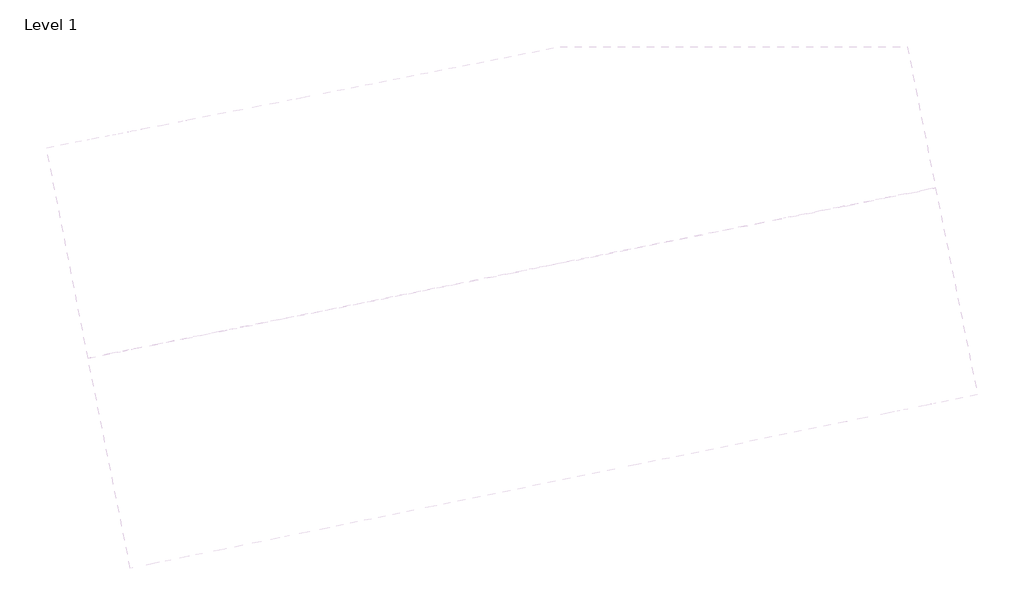
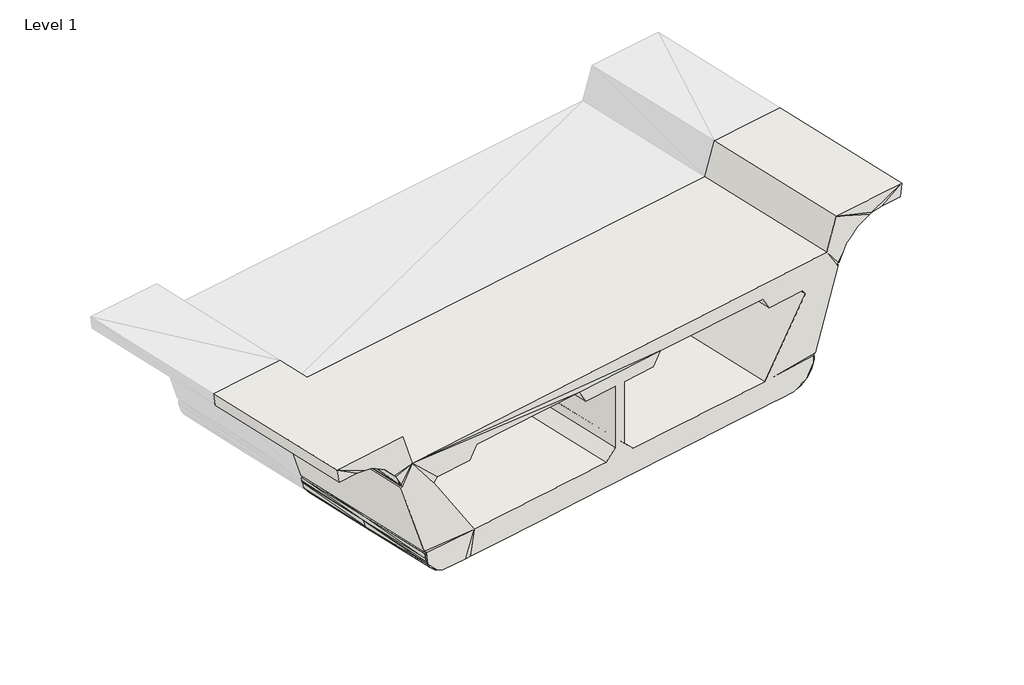
# One storey, part 1 of 2: 2 walls.
"""IFC4 building model written with IfcOpenShell, lengths in millimetres."""

import ifcopenshell
import ifcopenshell.guid

model = None  # the IFC model being written
_history = None  # IfcOwnerHistory: only IFC2X3 demands one
_inside = {}  # id of a spatial element -> (the spatial element, [elements in it])
_under = {}  # id of a project, library or spatial element -> (it, [spatial elements below it])
_declared = {}  # id of a project -> (the project, [libraries it declares])
_typed = {}  # id of a type object -> (the type object, [elements of that type])
_made_of = {}  # id of a material, layer set ... -> (it, [elements and type objects made of it])


def new_model(schema):
    """Start an empty IFC model of exactly this schema.

    Asked for "IFC4X3", IfcOpenShell would pick the latest addendum, in which some entities
    have other attributes; the version numbers below select the first issue.
    IFC2X3 requires an IfcOwnerHistory on every rooted entity: one is made here for all.
    """
    global model, _history
    if schema == "IFC4X3":
        model = ifcopenshell.file(schema_version=(4, 3, 0, 0))
    else:
        model = ifcopenshell.file(schema=schema)
    _inside.clear()
    _under.clear()
    _declared.clear()
    _typed.clear()
    _made_of.clear()
    _history = None
    if model.schema == "IFC2X3":
        org = make("IfcOrganization", Name="unknown")
        user = make(
            "IfcPersonAndOrganization",
            ThePerson=make("IfcPerson", FamilyName="unknown"),
            TheOrganization=org,
        )
        app = make(
            "IfcApplication",
            ApplicationDeveloper=org,
            Version="unknown",
            ApplicationFullName="unknown",
            ApplicationIdentifier="unknown",
        )
        _history = make(
            "IfcOwnerHistory",
            OwningUser=user,
            OwningApplication=app,
            ChangeAction="ADDED",
            CreationDate=0,
        )
    return model


def make(cls, **values):
    """One entity of the class cls with the attributes given. An attribute that is None is left unset."""
    return model.create_entity(
        cls, **{name: value for name, value in values.items() if value is not None}
    )


def rooted(cls, **values):
    """An entity with a GlobalId (a new one), such as an element, a storey or a relation."""
    return make(cls, GlobalId=ifcopenshell.guid.new(), OwnerHistory=_history, **values)


def si_unit(unit_type, name, prefix=None):
    """IfcSIUnit, for example si_unit("LENGTHUNIT", "METRE", prefix="MILLI")."""
    return make("IfcSIUnit", UnitType=unit_type, Prefix=prefix, Name=name)


def assignment(units):
    """IfcUnitAssignment: the units of a project."""
    return None if units is None else make("IfcUnitAssignment", Units=units)


def point(xyz):
    """IfcCartesianPoint."""
    return None if xyz is None else make("IfcCartesianPoint", Coordinates=xyz)


def direction(xyz):
    """IfcDirection."""
    return None if xyz is None else make("IfcDirection", DirectionRatios=xyz)


def frame(location, z_axis=None, x_axis=None):
    """IfcAxis2Placement3D, a coordinate frame: its origin and axes. An axis left out is left unset."""
    return make(
        "IfcAxis2Placement3D",
        Location=point(location),
        Axis=direction(z_axis),
        RefDirection=direction(x_axis),
    )


def origin():
    """The frame at (0, 0, 0) with its axes left unset."""
    return frame((0.0, 0.0, 0.0))


def place(relative_to, where):
    """IfcLocalPlacement: puts the frame where relative to a parent placement (None: the world)."""
    return make(
        "IfcLocalPlacement", PlacementRelTo=relative_to, RelativePlacement=where
    )


def context(
    kind, dimensions, precision=None, world=None, true_north=None, identifier=None
):
    """IfcGeometricRepresentationContext, for example the 3D "Model" context."""
    return make(
        "IfcGeometricRepresentationContext",
        ContextIdentifier=identifier,
        ContextType=kind,
        CoordinateSpaceDimension=dimensions,
        Precision=precision,
        WorldCoordinateSystem=world,
        TrueNorth=true_north,
    )


def project(units=None, contexts=None):
    """IfcProject with its units and contexts."""
    return rooted(
        "IfcProject",
        Name="project",
        RepresentationContexts=contexts,
        UnitsInContext=assignment(units),
    )


def spatial(cls, under=None, at=None, **own):
    """A site, building, storey or space (cls), placed at a placement, below another one or the project."""
    s = rooted(cls, ObjectPlacement=at, **own)
    if under is not None:
        _under.setdefault(under.id(), (under, []))[1].append(s)
    return s


def point_list(points):
    """IfcCartesianPointList2D or 3D."""
    cls = (
        "IfcCartesianPointList2D" if len(points[0]) == 2 else "IfcCartesianPointList3D"
    )
    return make(cls, CoordList=points)


def triangles(points, corners, closed=None, point_numbers=None):
    """IfcTriangulatedFaceSet: each triangle names its three corners, points numbered from 1."""
    return make(
        "IfcTriangulatedFaceSet",
        Coordinates=point_list(points),
        Closed=closed,
        CoordIndex=corners,
        PnIndex=point_numbers,
    )


def shape(context_of_items, identifier, shape_type, items):
    """IfcShapeRepresentation: the items that make up one representation, for example the "Body"."""
    return make(
        "IfcShapeRepresentation",
        ContextOfItems=context_of_items,
        RepresentationIdentifier=identifier,
        RepresentationType=shape_type,
        Items=items,
    )


def made_of(thing, what):
    """Note that an element or type object is made of a material, layer set ...; save() writes the relation."""
    if what is not None:
        _made_of.setdefault(what.id(), (what, []))[1].append(thing)
    return thing


def element(
    cls,
    number,
    at=None,
    inside=None,
    cuts=None,
    type_object=None,
    material=None,
    context=None,
    identifier="Body",
    shape_type=None,
    held_by="IfcProductDefinitionShape",
    body=None,
    shapes=None,
    **own,
):
    """One element of the class cls, such as IfcWall. Its Tag is "e" and its number.

    at: its placement. inside: the storey or other place that contains it. cuts: it is an
    opening in that element (IfcRelVoidsElement). A single representation is given by context,
    identifier, shape_type and body (its items); several are given by shapes. held_by: the class
    of the entity that holds the representations. save() writes the other relations.
    """
    e = rooted(cls, Tag="e%d" % number, ObjectPlacement=at, **own)
    if body is not None:
        shapes = [shape(context, identifier, shape_type, body)]
    if shapes is not None:
        e.Representation = make(held_by, Representations=shapes)
    if inside is not None:
        _inside.setdefault(inside.id(), (inside, []))[1].append(e)
    if cuts is not None:
        rooted(
            "IfcRelVoidsElement", RelatingBuildingElement=cuts, RelatedOpeningElement=e
        )
    if type_object is not None:
        _typed.setdefault(type_object.id(), (type_object, []))[1].append(e)
    return made_of(e, material)


def aggregate(whole, parts):
    """IfcRelAggregates: a whole, such as a stair, and the parts it consists of."""
    return rooted("IfcRelAggregates", RelatingObject=whole, RelatedObjects=parts)


def save(model, path):
    """Write the relations noted so far, then the file.

    IfcRelAggregates (storeys below a building ...), IfcRelContainedInSpatialStructure (elements
    in a storey), IfcRelDefinesByType, IfcRelAssociatesMaterial and IfcRelDeclares: one each for
    every whole, place, type object, material and project.
    """
    for whole, parts in _under.values():
        aggregate(whole, parts)
    for where, things in _inside.values():
        rooted(
            "IfcRelContainedInSpatialStructure",
            RelatedElements=things,
            RelatingStructure=where,
        )
    for kind, things in _typed.values():
        rooted("IfcRelDefinesByType", RelatedObjects=things, RelatingType=kind)
    for what, things in _made_of.values():
        rooted("IfcRelAssociatesMaterial", RelatedObjects=things, RelatingMaterial=what)
    for by, libraries in _declared.values():
        rooted("IfcRelDeclares", RelatingContext=by, RelatedDefinitions=libraries)
    model.write(path)


model = new_model("IFC4")

# Units and contexts
model_context = context("Model", 3, world=origin())
ifc_project = project(units=[si_unit("LENGTHUNIT", "METRE", prefix="MILLI")], contexts=[model_context])

# Site, building, storey
site = spatial("IfcSite", under=ifc_project)
building = spatial("IfcBuilding", under=site)
storey = spatial("IfcBuildingStorey", under=building, Name="Level 1", Elevation=0.0)

# Walls
placement = place(None, origin())
element("IfcWall", 1, at=placement, inside=storey, context=model_context, shape_type="Tessellation", body=[
    triangles([(-3183.9475159, -15734.0861206, 30056.386322), (-2390.9912659, -12481.2986206, 29981.3839233), (6616.0868591, -10671.5486206, 29371.3862732), (8802.0743591, -13279.0173706, 30056.3886475), (8390.1181091, -13364.7423706, 29806.3876282), (6944.6993591, -10604.8736206, 29206.3521606), (6973.2743591, -10600.1111206, 29266.043866), (7569.7774841, -12005.0486206, 29613.7924072), (7398.3274841, -12040.7673706, 29471.3383118), (7820.9993591, -11955.0423706, 29729.6062683), (8093.6524841, -11897.8923706, 29768.8875916), (7236.4024841, -12071.7236206, 29246.2404236), (7705.5087341, -13505.2361206, 29499.5365906), (7623.3556091, -13521.9048706, 29422.7668579), (7547.1556091, -13536.1923706, 29277.1292358), (7469.7649841, -13552.8611206, 29129.4545288), (8122.2274841, -13419.5111206, 29761.0462097), (7526.9149841, -10488.1923706, 29684.567157), (6875.6431091, -10619.1611206, 29054.4498047), (7468.5743591, -13552.8611206, 29122.6456421), (7172.1087341, -12086.0111206, 29091.9521667), (6873.2618591, -10619.1611206, 29047.640918), (7444.7618591, -13557.6236206, 29130.5498108), (7429.2837341, -13560.0048706, 29083.1154968), (6849.4493591, -10623.9236206, 29055.5474121), (7453.0962341, -13555.2423706, 29075.2113281), (6833.9712341, -10626.3048706, 29008.1130981), (6364.8649841, -10721.5548706, 27494.0752808), (6960.1774841, -13657.6361206, 27569.0800049), (6937.5556091, -13662.3986206, 27576.9841736), (6342.2431091, -10726.3173706, 27501.9817749), (6647.0431091, -12193.1673706, 27484.1410034), (6326.7649841, -10728.6986206, 27454.5474609), (-1920.6943909, -12386.0486206, 27377.9939941), (-1783.7725159, -12359.8548706, 27091.2673096), (-1250.3725159, -13795.7486206, 26991.7687317), (-1483.7350159, -12297.9423706, 26943.7065491), (-115.7068909, -13564.7673706, 26978.8857971), (3085.8837341, -11381.1611206, 26941.3834351), (5743.3587341, -12376.5236206, 26978.8857971), (5967.1962341, -10802.5173706, 26953.2803833), (6073.1618591, -10781.0861206, 26997.4846619), (6485.1181091, -12224.1236206, 27107.880249), (6242.2306091, -10745.3673706, 27127.2023254), (6323.1931091, -10731.0798706, 27277.525708), (6944.6993591, -13660.0173706, 27521.6456909), (6941.1274841, -13660.0173706, 27451.9266907), (6574.4149841, -12207.4548706, 27216.2736328), (6372.0087341, -12247.9361206, 27029.4827087), (6661.3306091, -13717.1673706, 27062.0923462), (6239.8493591, -12274.1298706, 26986.0272217), (5823.1306091, -13888.6173706, 27016.3881592), (1654.7524841, -13205.1986206, 26978.8857971), (851.0806091, -13369.5048706, 26978.8857971), (1149.9274841, -14848.2611206, 27016.3858337), (184.3306091, -15045.9048706, 27016.3858337), (-460.9881409, -15176.8736206, 27016.3858337), (-1076.5412659, -15303.0798706, 27082.8747986), (-1219.4162659, -15331.6548706, 27202.2047241), (-1617.0850159, -13869.5673706, 27373.9314514), (-1309.9037659, -15350.7048706, 27412.4988647), (-1327.7631409, -15355.4673706, 27521.6433655), (-1377.7693909, -13819.5611206, 27042.2982056), (-945.5725159, -15276.8861206, 27028.282782), (-360.9756409, -15157.8236206, 27016.3858337), (-362.1662659, -15157.8236206, 27016.3858337), (-662.2037659, -13674.3048706, 26978.8857971), (1933.3587341, -14686.3361206, 27016.3858337), (5855.2774841, -12352.7111206, 26978.8857971), (6194.6056091, -13814.7986206, 27016.3881592), (6797.0618591, -13690.9736206, 27156.6633179), (6783.9649841, -13693.3548706, 27147.4522522), (6920.8868591, -13664.7798706, 27382.3076843), (6349.3868591, -10723.9361206, 27446.6409668), (6627.9931091, -12195.5486206, 27342.7845154), (6185.0806091, -10757.2736206, 27075.6496582), (1358.2868591, -11728.8236206, 26941.3834351), (-249.0568909, -12050.2923706, 26941.3834351), (-958.6693909, -12193.1673706, 26941.3834351), (-1487.3068909, -13843.3736206, 27127.7511292), (-1874.2600159, -12376.5236206, 27217.7223816), (-1569.4600159, -13860.0423706, 27241.0558411), (-1925.4568909, -12386.0486206, 27446.6409668), (-1626.6100159, -13871.9486206, 27484.1410034), (-1303.9506409, -15350.7048706, 27529.5498596), (-1319.4287659, -15353.0861206, 27576.9818481), (-1940.9350159, -12390.8111206, 27494.0729553), (-1917.1225159, -12386.0486206, 27501.9794495), (-1343.2412659, -15357.8486206, 27569.0776794), (-1834.9693909, -15457.8611206, 29075.1624939), (-2408.8506409, -12483.6798706, 29008.1130981), (-2448.1412659, -12493.2048706, 29047.640918), (-2424.3287659, -12488.4423706, 29055.5450867), (-1850.4475159, -15462.6236206, 29122.6433167), (-2151.6756409, -13976.7236206, 29091.9498413), (-1852.8287659, -15462.6236206, 29129.4522034), (-3370.8756409, -12676.5611206, 29731.3829041), (-3207.7600159, -12645.6048706, 29711.5399292), (-2908.9131409, -14131.5048706, 29754.6070679), (-3143.4662659, -12631.3173706, 29703.7404053), (-2951.7756409, -12593.2173706, 29619.6850708), (-2648.1662659, -14079.1173706, 29669.0541504), (-2462.4287659, -14041.0173706, 29547.5964478), (-2274.3100159, -14002.9173706, 29341.4532166), (-2451.7131409, -15584.0673706, 29750.5421997), (-3072.0287659, -14164.8423706, 29768.8852661), (-2165.9631409, -15526.9173706, 29589.3148315), (-1950.4600159, -15481.6736206, 29341.0439392), (-2767.2287659, -12557.4986206, 29501.1016113), (2902.5274841, -14488.6923706, 28924.4716919), (8162.7087341, -13409.9861206, 29778.7451294), (8765.1649841, -13286.1611206, 29806.3876282), (7863.8618591, -13471.8986206, 29647.6670837), (1946.4556091, -14683.9548706, 29167.0313049), (6754.1993591, -13698.1173706, 28834.7632141), (7410.2337341, -13564.7673706, 30056.3886475), (5843.3712341, -13886.2361206, 29166.1778687), (6687.5243591, -13712.4048706, 28924.4716919), (7211.3993591, -13605.2486206, 29446.3886719), (3527.6056091, -14360.1048706, 28924.4716919), (6538.6962341, -13743.3611206, 27028.2409241), (6893.5024841, -13669.5423706, 27291.7690247), (6922.0774841, -13664.7798706, 27529.5498596), (4439.6243591, -14174.3673706, 27016.3881592), (6502.9774841, -13750.5048706, 27018.6066284), (6043.3962341, -13845.7548706, 27016.3881592), (5893.3774841, -13876.7111206, 27508.3767334), (5268.2993591, -14002.9173706, 27016.3881592), (2902.5274841, -14488.6923706, 27708.3761536), (2715.5993591, -14526.7923706, 28924.4716919), (-1593.2725159, -15410.2361206, 29446.3863464), (-226.4350159, -15129.2486206, 29166.1755432), (-1069.3975159, -15303.0798706, 28924.4716919), (-1793.2975159, -15450.7173706, 30056.386322), (-1137.2631409, -15314.9861206, 28834.7608887), (-1811.1568909, -15453.0986206, 29083.1154968), (-2354.0818909, -15565.0173706, 29695.5083496), (-2611.2568909, -15617.4048706, 29778.2707397), (-2771.9912659, -15650.7423706, 29806.3853027), (-3148.2287659, -15726.9423706, 29806.3853027), (-1826.6350159, -15457.8611206, 29130.5498108), (-1979.0350159, -15488.8173706, 29374.5697998), (-1096.7818909, -15307.8423706, 27091.385907), (-1263.4693909, -15341.1798706, 27282.1486816), (-1301.5693909, -15348.3236206, 27352.5257813), (6271.9962341, -10740.6048706, 27182.1013), (6119.5962341, -10771.5611206, 27016.3858337), (6327.9556091, -10728.6986206, 27305.9332764), (5296.8743591, -10935.8673706, 27433.3743347), (5558.8118591, -10883.4798706, 26943.2623901), (5482.6118591, -10900.1486206, 26941.3834351), (5382.5993591, -10919.1986206, 26941.3834351), (1351.1431091, -11728.8236206, 29092.0265808), (2303.6431091, -11538.3236206, 28849.4692932), (2500.0962341, -11497.8423706, 27433.3720093), (2121.4774841, -11574.0423706, 28849.4692932), (2303.6431091, -11538.3236206, 27633.3737549), (7280.4556091, -10538.1986206, 29565.6139526), (7189.9681091, -10557.2486206, 29514.3124329), (7111.3868591, -10571.5361206, 29425.2504272), (6814.9212341, -10631.0673706, 29981.3862488), (7795.9962341, -10433.4236206, 29731.3852295), (8207.9524841, -10352.4611206, 29981.3862488), (8171.0431091, -10359.6048706, 29731.3852295), (7474.5274841, -10497.7173706, 29675.539801), (6857.7837341, -10623.9236206, 29000.2089294), (6158.8868591, -10762.0361206, 28759.7608154), (5392.1243591, -10916.8173706, 28849.4692932), (5246.8681091, -10945.3923706, 29091.17547), (-871.7537659, -12176.4986206, 27433.3720093), (-803.8881409, -12162.2111206, 26941.3834351), (-413.3631409, -12083.6298706, 26941.3834351), (580.8087341, -11883.6048706, 26941.3834351), (-1175.3631409, -12236.0298706, 26941.3834351), (-1545.6475159, -12309.8486206, 26960.7427185), (-1642.0881409, -12331.2798706, 26987.5434082), (-1776.6287659, -12357.4736206, 27082.4073853), (-1909.9787659, -12383.6673706, 27337.9569031), (-1901.6443909, -12383.6673706, 27454.5451355), (-2432.6631409, -12488.4423706, 29000.1600952), (-1733.7662659, -12347.9486206, 28759.75849), (-1667.0912659, -12336.0423706, 28849.4692932), (-2190.9662659, -12440.8173706, 29371.3839478), (-822.9381409, -12164.5923706, 29091.1731445), (-2450.5225159, -12493.2048706, 29054.4498047), (-2604.1131409, -12524.1611206, 29347.7621338), (-2579.1100159, -12519.3986206, 29300.3487488), (-2843.4287659, -12571.7861206, 29572.6600342), (-3747.1131409, -12752.7611206, 29731.3829041), (-3782.8318909, -12759.9048706, 29981.3839233), (2416.7524841, -13050.4173706, 28886.9693298), (2417.9431091, -13050.4173706, 27670.8737915), (2121.4774841, -11574.0423706, 27633.3737549), (1925.0243591, -11614.5236206, 27433.3720093), (2715.5993591, -14526.7923706, 27708.3761536), (2519.1462341, -14567.2736206, 27508.3767334), (-275.2506409, -15138.7736206, 27508.374408), (-967.0037659, -12195.5486206, 28849.4692932), (-370.5006409, -15157.8236206, 28924.4716919), (2089.3306091, -14655.3798706, 28924.4716919), (1495.2087341, -11700.2486206, 28849.4692932), (2602.4899841, -13012.3173706, 28886.9693298), (2929.9118591, -11412.1173706, 28849.4692932), (3671.6712341, -14331.5298706, 29167.0313049), (3072.7868591, -11383.5423706, 29092.0289063), (5988.6274841, -13855.2798706, 28924.4716919), (6091.0212341, -10776.3236206, 28849.4692932), (3097.7899841, -14448.2111206, 27508.3767334), (2601.2993591, -13012.3173706, 27670.8737915)], [[154, 202, 209], [129, 209, 202], [202, 110, 129], [209, 157, 154], [209, 129, 208], [209, 208, 155], [155, 157, 209], [149, 155, 208], [208, 127, 149], [167, 149, 127], [127, 115, 167], [115, 118, 207], [207, 167, 115], [207, 118, 206], [206, 168, 207], [206, 117, 169], [169, 168, 206], [117, 204, 205], [205, 169, 117], [205, 204, 120], [120, 203, 205], [202, 154, 203], [202, 203, 120], [120, 110, 202], [191, 130, 200], [201, 156, 191], [200, 201, 191], [200, 114, 153], [153, 201, 200], [114, 132, 184], [184, 153, 114], [184, 132, 199], [199, 198, 184], [199, 133, 182], [182, 198, 199], [182, 133, 135], [135, 181, 182], [197, 170, 181], [181, 135, 197], [196, 194, 170], [170, 197, 196], [192, 193, 194], [196, 195, 192], [194, 196, 192], [156, 193, 192], [195, 130, 191], [191, 192, 195], [192, 191, 156], [189, 190, 97], [98, 97, 190], [2, 100, 98], [98, 190, 2], [2, 188, 101], [186, 109, 2], [187, 93, 185], [183, 187, 186], [109, 188, 2], [101, 100, 2], [187, 183, 93], [185, 93, 92], [183, 153, 184], [182, 183, 184], [93, 183, 91], [205, 153, 183], [181, 180, 91], [181, 91, 183], [182, 184, 198], [182, 181, 183], [153, 156, 201], [183, 186, 2], [179, 88, 170], [181, 88, 87], [175, 35, 179], [87, 180, 181], [83, 179, 34], [34, 179, 178], [178, 179, 81], [35, 176, 177], [81, 179, 35], [175, 176, 35], [170, 88, 181], [37, 175, 170], [77, 194, 155], [37, 170, 174], [175, 179, 170], [194, 173, 170], [170, 171, 79], [79, 174, 170], [170, 78, 172], [172, 171, 170], [170, 173, 78], [194, 77, 173], [183, 3, 205], [22, 25, 19], [169, 205, 3], [3, 6, 25], [169, 3, 207], [25, 27, 3], [168, 169, 207], [3, 167, 207], [167, 3, 27], [167, 27, 166], [3, 161, 160], [205, 203, 154], [165, 161, 18], [162, 163, 164], [162, 18, 161], [163, 162, 161], [25, 6, 19], [6, 3, 7], [160, 7, 3], [159, 161, 158], [161, 159, 160], [158, 161, 165], [193, 156, 157], [149, 39, 155], [193, 157, 155], [154, 157, 156], [153, 154, 156], [149, 152, 39], [39, 77, 155], [149, 151, 152], [150, 151, 149], [149, 41, 150], [149, 33, 41], [155, 194, 193], [41, 33, 42], [149, 31, 33], [148, 33, 74], [146, 33, 148], [28, 31, 167], [167, 166, 28], [42, 76, 147], [42, 33, 76], [146, 44, 76], [76, 33, 146], [148, 45, 146], [149, 167, 31], [154, 153, 205], [61, 145, 144], [58, 144, 59], [61, 144, 85], [58, 85, 144], [135, 86, 197], [85, 197, 86], [86, 135, 89], [62, 61, 85], [89, 135, 90], [143, 58, 59], [197, 57, 66], [56, 197, 65], [65, 197, 66], [197, 56, 55], [64, 197, 85], [64, 57, 197], [64, 85, 58], [196, 197, 55], [196, 68, 208], [195, 196, 208], [68, 196, 55], [131, 107, 142], [96, 94, 141], [108, 96, 141], [131, 142, 108], [1, 140, 139], [1, 139, 138], [134, 105, 137], [1, 138, 134], [134, 138, 105], [137, 107, 134], [90, 135, 136], [135, 133, 131], [132, 133, 199], [114, 200, 130], [107, 131, 134], [131, 141, 136], [108, 141, 131], [131, 114, 204], [136, 135, 131], [131, 133, 132], [131, 132, 114], [204, 119, 131], [130, 110, 114], [195, 129, 130], [127, 124, 128], [127, 52, 126], [128, 52, 127], [127, 126, 70], [208, 129, 195], [127, 125, 121], [127, 208, 124], [127, 121, 123], [70, 125, 127], [124, 208, 68], [121, 72, 123], [122, 73, 72], [122, 72, 71], [123, 72, 73], [127, 30, 115], [127, 123, 30], [115, 30, 29], [47, 46, 123], [123, 73, 47], [115, 29, 26], [121, 50, 72], [204, 110, 120], [117, 206, 118], [24, 115, 26], [24, 119, 115], [204, 117, 119], [117, 118, 119], [116, 119, 14], [23, 119, 24], [23, 15, 119], [119, 118, 115], [110, 204, 114], [20, 16, 23], [13, 113, 116], [14, 119, 15], [15, 23, 16], [17, 111, 116], [17, 116, 113], [5, 112, 4], [5, 4, 111], [111, 4, 116], [13, 116, 14], [129, 110, 130], [140, 1, 190], [190, 189, 140], [106, 139, 140], [189, 97, 106], [140, 189, 106], [99, 106, 97], [100, 101, 102], [188, 109, 103], [186, 187, 104], [95, 104, 187], [108, 142, 104], [103, 104, 142], [107, 137, 102], [105, 138, 99], [138, 139, 106], [106, 99, 138], [102, 137, 105], [99, 102, 105], [102, 103, 107], [142, 107, 103], [96, 108, 104], [104, 95, 96], [187, 185, 95], [186, 104, 103], [103, 109, 186], [188, 103, 102], [102, 101, 188], [99, 98, 100], [102, 99, 100], [97, 98, 99], [185, 92, 95], [95, 94, 96], [94, 95, 92], [93, 141, 94], [94, 92, 93], [136, 141, 93], [93, 91, 136], [91, 180, 90], [90, 136, 91], [89, 90, 180], [180, 87, 89], [88, 86, 89], [89, 87, 88], [85, 86, 88], [88, 179, 85], [84, 62, 85], [179, 83, 84], [85, 179, 84], [34, 178, 60], [178, 81, 82], [80, 82, 81], [63, 80, 177], [176, 175, 36], [174, 79, 67], [171, 172, 38], [78, 173, 54], [173, 77, 53], [152, 151, 40], [151, 150, 69], [51, 69, 150], [42, 49, 51], [76, 43, 49], [44, 146, 48], [45, 148, 75], [74, 32, 75], [73, 75, 32], [122, 48, 75], [71, 72, 43], [43, 72, 50], [121, 51, 49], [70, 69, 51], [69, 70, 126], [124, 68, 53], [68, 55, 54], [55, 56, 38], [65, 66, 67], [57, 64, 36], [63, 36, 64], [80, 63, 143], [59, 144, 82], [145, 61, 60], [61, 62, 84], [84, 60, 61], [144, 145, 60], [60, 82, 144], [82, 80, 59], [63, 58, 143], [143, 59, 80], [64, 58, 63], [67, 66, 57], [36, 67, 57], [56, 65, 67], [67, 38, 56], [38, 54, 55], [54, 53, 68], [128, 124, 40], [40, 126, 52], [40, 52, 128], [53, 40, 124], [126, 40, 69], [51, 121, 125], [51, 125, 70], [49, 50, 121], [50, 49, 43], [48, 122, 71], [71, 43, 48], [75, 73, 122], [32, 46, 47], [32, 47, 73], [75, 148, 74], [45, 75, 48], [48, 146, 45], [43, 76, 44], [48, 43, 44], [49, 42, 147], [49, 147, 76], [51, 41, 42], [150, 41, 51], [69, 40, 151], [39, 152, 40], [53, 77, 39], [40, 53, 39], [53, 54, 173], [38, 172, 78], [54, 38, 78], [67, 79, 171], [38, 67, 171], [174, 67, 36], [36, 175, 37], [36, 37, 174], [36, 63, 176], [80, 35, 177], [177, 176, 63], [81, 35, 80], [82, 60, 178], [83, 34, 60], [60, 84, 83], [32, 74, 33], [32, 33, 123], [123, 46, 32], [31, 30, 123], [123, 33, 31], [29, 30, 31], [31, 28, 29], [166, 26, 29], [29, 28, 166], [26, 166, 27], [27, 24, 26], [25, 23, 24], [24, 27, 25], [20, 23, 25], [25, 22, 20], [22, 19, 21], [21, 16, 20], [21, 20, 22], [21, 19, 6], [7, 160, 9], [159, 158, 8], [165, 18, 10], [162, 11, 10], [111, 17, 10], [10, 17, 113], [13, 9, 8], [14, 15, 12], [12, 15, 16], [16, 21, 12], [9, 13, 14], [12, 9, 14], [8, 113, 13], [113, 8, 10], [111, 10, 11], [11, 5, 111], [10, 18, 162], [165, 10, 8], [8, 158, 165], [9, 160, 159], [8, 9, 159], [12, 6, 7], [9, 12, 7], [6, 12, 21], [11, 162, 164], [11, 164, 112], [112, 5, 11], [163, 4, 112], [112, 164, 163], [163, 161, 116], [116, 4, 163], [161, 3, 119], [119, 116, 161], [3, 183, 131], [131, 119, 3], [131, 183, 2], [2, 134, 131], [134, 2, 190], [190, 1, 134]]),
])
element("IfcWall", 2, at=placement, inside=storey, context=model_context, shape_type="Tessellation", body=[
    triangles([(-3183.9475159, -15734.0861206, 30056.386322), (-2390.9912659, -12481.2986206, 29981.3839233), (6616.0868591, -10671.5486206, 29371.3862732), (8802.0743591, -13279.0173706, 30056.3886475), (8390.1181091, -13364.7423706, 29806.3876282), (6944.6993591, -10604.8736206, 29206.3521606), (6973.2743591, -10600.1111206, 29266.043866), (7569.7774841, -12005.0486206, 29613.7924072), (7398.3274841, -12040.7673706, 29471.3383118), (7820.9993591, -11955.0423706, 29729.6062683), (8093.6524841, -11897.8923706, 29768.8875916), (7236.4024841, -12071.7236206, 29246.2404236), (7705.5087341, -13505.2361206, 29499.5365906), (7623.3556091, -13521.9048706, 29422.7668579), (7547.1556091, -13536.1923706, 29277.1292358), (7469.7649841, -13552.8611206, 29129.4545288), (8122.2274841, -13419.5111206, 29761.0462097), (7526.9149841, -10488.1923706, 29684.567157), (6875.6431091, -10619.1611206, 29054.4498047), (7468.5743591, -13552.8611206, 29122.6456421), (7172.1087341, -12086.0111206, 29091.9521667), (6873.2618591, -10619.1611206, 29047.640918), (7444.7618591, -13557.6236206, 29130.5498108), (7429.2837341, -13560.0048706, 29083.1154968), (6849.4493591, -10623.9236206, 29055.5474121), (7453.0962341, -13555.2423706, 29075.2113281), (6833.9712341, -10626.3048706, 29008.1130981), (6364.8649841, -10721.5548706, 27494.0752808), (6960.1774841, -13657.6361206, 27569.0800049), (6937.5556091, -13662.3986206, 27576.9841736), (6342.2431091, -10726.3173706, 27501.9817749), (6647.0431091, -12193.1673706, 27484.1410034), (6326.7649841, -10728.6986206, 27454.5474609), (-1920.6943909, -12386.0486206, 27377.9939941), (-1783.7725159, -12359.8548706, 27091.2673096), (-1250.3725159, -13795.7486206, 26991.7687317), (-1483.7350159, -12297.9423706, 26943.7065491), (-115.7068909, -13564.7673706, 26978.8857971), (3085.8837341, -11381.1611206, 26941.3834351), (5743.3587341, -12376.5236206, 26978.8857971), (5967.1962341, -10802.5173706, 26953.2803833), (6073.1618591, -10781.0861206, 26997.4846619), (6485.1181091, -12224.1236206, 27107.880249), (6242.2306091, -10745.3673706, 27127.2023254), (6323.1931091, -10731.0798706, 27277.525708), (6944.6993591, -13660.0173706, 27521.6456909), (6941.1274841, -13660.0173706, 27451.9266907), (6574.4149841, -12207.4548706, 27216.2736328), (6372.0087341, -12247.9361206, 27029.4827087), (6661.3306091, -13717.1673706, 27062.0923462), (6239.8493591, -12274.1298706, 26986.0272217), (5823.1306091, -13888.6173706, 27016.3881592), (1654.7524841, -13205.1986206, 26978.8857971), (851.0806091, -13369.5048706, 26978.8857971), (1149.9274841, -14848.2611206, 27016.3858337), (184.3306091, -15045.9048706, 27016.3858337), (-460.9881409, -15176.8736206, 27016.3858337), (-1076.5412659, -15303.0798706, 27082.8747986), (-1219.4162659, -15331.6548706, 27202.2047241), (-1617.0850159, -13869.5673706, 27373.9314514), (-1309.9037659, -15350.7048706, 27412.4988647), (-1327.7631409, -15355.4673706, 27521.6433655), (-1377.7693909, -13819.5611206, 27042.2982056), (-945.5725159, -15276.8861206, 27028.282782), (-360.9756409, -15157.8236206, 27016.3858337), (-362.1662659, -15157.8236206, 27016.3858337), (-662.2037659, -13674.3048706, 26978.8857971), (1933.3587341, -14686.3361206, 27016.3858337), (5855.2774841, -12352.7111206, 26978.8857971), (6194.6056091, -13814.7986206, 27016.3881592), (6797.0618591, -13690.9736206, 27156.6633179), (6783.9649841, -13693.3548706, 27147.4522522), (6920.8868591, -13664.7798706, 27382.3076843), (6349.3868591, -10723.9361206, 27446.6409668), (6627.9931091, -12195.5486206, 27342.7845154), (6185.0806091, -10757.2736206, 27075.6496582), (1358.2868591, -11728.8236206, 26941.3834351), (-249.0568909, -12050.2923706, 26941.3834351), (-958.6693909, -12193.1673706, 26941.3834351), (-1487.3068909, -13843.3736206, 27127.7511292), (-1874.2600159, -12376.5236206, 27217.7223816), (-1569.4600159, -13860.0423706, 27241.0558411), (-1925.4568909, -12386.0486206, 27446.6409668), (-1626.6100159, -13871.9486206, 27484.1410034), (-1303.9506409, -15350.7048706, 27529.5498596), (-1319.4287659, -15353.0861206, 27576.9818481), (-1940.9350159, -12390.8111206, 27494.0729553), (-1917.1225159, -12386.0486206, 27501.9794495), (-1343.2412659, -15357.8486206, 27569.0776794), (-1834.9693909, -15457.8611206, 29075.1624939), (-2408.8506409, -12483.6798706, 29008.1130981), (-2448.1412659, -12493.2048706, 29047.640918), (-2424.3287659, -12488.4423706, 29055.5450867), (-1850.4475159, -15462.6236206, 29122.6433167), (-2151.6756409, -13976.7236206, 29091.9498413), (-1852.8287659, -15462.6236206, 29129.4522034), (-3370.8756409, -12676.5611206, 29731.3829041), (-3207.7600159, -12645.6048706, 29711.5399292), (-2908.9131409, -14131.5048706, 29754.6070679), (-3143.4662659, -12631.3173706, 29703.7404053), (-2951.7756409, -12593.2173706, 29619.6850708), (-2648.1662659, -14079.1173706, 29669.0541504), (-2462.4287659, -14041.0173706, 29547.5964478), (-2274.3100159, -14002.9173706, 29341.4532166), (-2451.7131409, -15584.0673706, 29750.5421997), (-3072.0287659, -14164.8423706, 29768.8852661), (-2165.9631409, -15526.9173706, 29589.3148315), (-1950.4600159, -15481.6736206, 29341.0439392), (-2767.2287659, -12557.4986206, 29501.1016113), (2902.5274841, -14488.6923706, 28924.4716919), (8162.7087341, -13409.9861206, 29778.7451294), (8765.1649841, -13286.1611206, 29806.3876282), (7863.8618591, -13471.8986206, 29647.6670837), (1946.4556091, -14683.9548706, 29167.0313049), (6754.1993591, -13698.1173706, 28834.7632141), (7410.2337341, -13564.7673706, 30056.3886475), (5843.3712341, -13886.2361206, 29166.1778687), (6687.5243591, -13712.4048706, 28924.4716919), (7211.3993591, -13605.2486206, 29446.3886719), (3527.6056091, -14360.1048706, 28924.4716919), (6538.6962341, -13743.3611206, 27028.2409241), (6893.5024841, -13669.5423706, 27291.7690247), (6922.0774841, -13664.7798706, 27529.5498596), (4439.6243591, -14174.3673706, 27016.3881592), (6502.9774841, -13750.5048706, 27018.6066284), (6043.3962341, -13845.7548706, 27016.3881592), (5893.3774841, -13876.7111206, 27508.3767334), (5268.2993591, -14002.9173706, 27016.3881592), (2902.5274841, -14488.6923706, 27708.3761536), (2715.5993591, -14526.7923706, 28924.4716919), (-1593.2725159, -15410.2361206, 29446.3863464), (-226.4350159, -15129.2486206, 29166.1755432), (-1069.3975159, -15303.0798706, 28924.4716919), (-1793.2975159, -15450.7173706, 30056.386322), (-1137.2631409, -15314.9861206, 28834.7608887), (-1811.1568909, -15453.0986206, 29083.1154968), (-2354.0818909, -15565.0173706, 29695.5083496), (-2611.2568909, -15617.4048706, 29778.2707397), (-2771.9912659, -15650.7423706, 29806.3853027), (-3148.2287659, -15726.9423706, 29806.3853027), (-1826.6350159, -15457.8611206, 29130.5498108), (-1979.0350159, -15488.8173706, 29374.5697998), (-1096.7818909, -15307.8423706, 27091.385907), (-1263.4693909, -15341.1798706, 27282.1486816), (-1301.5693909, -15348.3236206, 27352.5257813), (6271.9962341, -10740.6048706, 27182.1013), (6119.5962341, -10771.5611206, 27016.3858337), (6327.9556091, -10728.6986206, 27305.9332764), (5296.8743591, -10935.8673706, 27433.3743347), (5558.8118591, -10883.4798706, 26943.2623901), (5482.6118591, -10900.1486206, 26941.3834351), (5382.5993591, -10919.1986206, 26941.3834351), (1351.1431091, -11728.8236206, 29092.0265808), (2303.6431091, -11538.3236206, 28849.4692932), (2500.0962341, -11497.8423706, 27433.3720093), (2121.4774841, -11574.0423706, 28849.4692932), (2303.6431091, -11538.3236206, 27633.3737549), (7280.4556091, -10538.1986206, 29565.6139526), (7189.9681091, -10557.2486206, 29514.3124329), (7111.3868591, -10571.5361206, 29425.2504272), (6814.9212341, -10631.0673706, 29981.3862488), (7795.9962341, -10433.4236206, 29731.3852295), (8207.9524841, -10352.4611206, 29981.3862488), (8171.0431091, -10359.6048706, 29731.3852295), (7474.5274841, -10497.7173706, 29675.539801), (6857.7837341, -10623.9236206, 29000.2089294), (6158.8868591, -10762.0361206, 28759.7608154), (5392.1243591, -10916.8173706, 28849.4692932), (5246.8681091, -10945.3923706, 29091.17547), (-871.7537659, -12176.4986206, 27433.3720093), (-803.8881409, -12162.2111206, 26941.3834351), (-413.3631409, -12083.6298706, 26941.3834351), (580.8087341, -11883.6048706, 26941.3834351), (-1175.3631409, -12236.0298706, 26941.3834351), (-1545.6475159, -12309.8486206, 26960.7427185), (-1642.0881409, -12331.2798706, 26987.5434082), (-1776.6287659, -12357.4736206, 27082.4073853), (-1909.9787659, -12383.6673706, 27337.9569031), (-1901.6443909, -12383.6673706, 27454.5451355), (-2432.6631409, -12488.4423706, 29000.1600952), (-1733.7662659, -12347.9486206, 28759.75849), (-1667.0912659, -12336.0423706, 28849.4692932), (-2190.9662659, -12440.8173706, 29371.3839478), (-822.9381409, -12164.5923706, 29091.1731445), (-2450.5225159, -12493.2048706, 29054.4498047), (-2604.1131409, -12524.1611206, 29347.7621338), (-2579.1100159, -12519.3986206, 29300.3487488), (-2843.4287659, -12571.7861206, 29572.6600342), (-3747.1131409, -12752.7611206, 29731.3829041), (-3782.8318909, -12759.9048706, 29981.3839233), (2416.7524841, -13050.4173706, 28886.9693298), (2417.9431091, -13050.4173706, 27670.8737915), (2121.4774841, -11574.0423706, 27633.3737549), (1925.0243591, -11614.5236206, 27433.3720093), (2715.5993591, -14526.7923706, 27708.3761536), (2519.1462341, -14567.2736206, 27508.3767334), (-275.2506409, -15138.7736206, 27508.374408), (-967.0037659, -12195.5486206, 28849.4692932), (-370.5006409, -15157.8236206, 28924.4716919), (2089.3306091, -14655.3798706, 28924.4716919), (1495.2087341, -11700.2486206, 28849.4692932), (2602.4899841, -13012.3173706, 28886.9693298), (2929.9118591, -11412.1173706, 28849.4692932), (3671.6712341, -14331.5298706, 29167.0313049), (3072.7868591, -11383.5423706, 29092.0289063), (5988.6274841, -13855.2798706, 28924.4716919), (6091.0212341, -10776.3236206, 28849.4692932), (3097.7899841, -14448.2111206, 27508.3767334), (2601.2993591, -13012.3173706, 27670.8737915)], [[154, 202, 209], [129, 209, 202], [202, 110, 129], [209, 157, 154], [209, 129, 208], [209, 208, 155], [155, 157, 209], [149, 155, 208], [208, 127, 149], [167, 149, 127], [127, 115, 167], [115, 118, 207], [207, 167, 115], [207, 118, 206], [206, 168, 207], [206, 117, 169], [169, 168, 206], [117, 204, 205], [205, 169, 117], [205, 204, 120], [120, 203, 205], [202, 154, 203], [202, 203, 120], [120, 110, 202], [191, 130, 200], [201, 156, 191], [200, 201, 191], [200, 114, 153], [153, 201, 200], [114, 132, 184], [184, 153, 114], [184, 132, 199], [199, 198, 184], [199, 133, 182], [182, 198, 199], [182, 133, 135], [135, 181, 182], [197, 170, 181], [181, 135, 197], [196, 194, 170], [170, 197, 196], [192, 193, 194], [196, 195, 192], [194, 196, 192], [156, 193, 192], [195, 130, 191], [191, 192, 195], [192, 191, 156], [189, 190, 97], [98, 97, 190], [2, 100, 98], [98, 190, 2], [2, 188, 101], [186, 109, 2], [187, 93, 185], [183, 187, 186], [109, 188, 2], [101, 100, 2], [187, 183, 93], [185, 93, 92], [183, 153, 184], [182, 183, 184], [93, 183, 91], [205, 153, 183], [181, 180, 91], [181, 91, 183], [182, 184, 198], [182, 181, 183], [153, 156, 201], [183, 186, 2], [179, 88, 170], [181, 88, 87], [175, 35, 179], [87, 180, 181], [83, 179, 34], [34, 179, 178], [178, 179, 81], [35, 176, 177], [81, 179, 35], [175, 176, 35], [170, 88, 181], [37, 175, 170], [77, 194, 155], [37, 170, 174], [175, 179, 170], [194, 173, 170], [170, 171, 79], [79, 174, 170], [170, 78, 172], [172, 171, 170], [170, 173, 78], [194, 77, 173], [183, 3, 205], [22, 25, 19], [169, 205, 3], [3, 6, 25], [169, 3, 207], [25, 27, 3], [168, 169, 207], [3, 167, 207], [167, 3, 27], [167, 27, 166], [3, 161, 160], [205, 203, 154], [165, 161, 18], [162, 163, 164], [162, 18, 161], [163, 162, 161], [25, 6, 19], [6, 3, 7], [160, 7, 3], [159, 161, 158], [161, 159, 160], [158, 161, 165], [193, 156, 157], [149, 39, 155], [193, 157, 155], [154, 157, 156], [153, 154, 156], [149, 152, 39], [39, 77, 155], [149, 151, 152], [150, 151, 149], [149, 41, 150], [149, 33, 41], [155, 194, 193], [41, 33, 42], [149, 31, 33], [148, 33, 74], [146, 33, 148], [28, 31, 167], [167, 166, 28], [42, 76, 147], [42, 33, 76], [146, 44, 76], [76, 33, 146], [148, 45, 146], [149, 167, 31], [154, 153, 205], [61, 145, 144], [58, 144, 59], [61, 144, 85], [58, 85, 144], [135, 86, 197], [85, 197, 86], [86, 135, 89], [62, 61, 85], [89, 135, 90], [143, 58, 59], [197, 57, 66], [56, 197, 65], [65, 197, 66], [197, 56, 55], [64, 197, 85], [64, 57, 197], [64, 85, 58], [196, 197, 55], [196, 68, 208], [195, 196, 208], [68, 196, 55], [131, 107, 142], [96, 94, 141], [108, 96, 141], [131, 142, 108], [1, 140, 139], [1, 139, 138], [134, 105, 137], [1, 138, 134], [134, 138, 105], [137, 107, 134], [90, 135, 136], [135, 133, 131], [132, 133, 199], [114, 200, 130], [107, 131, 134], [131, 141, 136], [108, 141, 131], [131, 114, 204], [136, 135, 131], [131, 133, 132], [131, 132, 114], [204, 119, 131], [130, 110, 114], [195, 129, 130], [127, 124, 128], [127, 52, 126], [128, 52, 127], [127, 126, 70], [208, 129, 195], [127, 125, 121], [127, 208, 124], [127, 121, 123], [70, 125, 127], [124, 208, 68], [121, 72, 123], [122, 73, 72], [122, 72, 71], [123, 72, 73], [127, 30, 115], [127, 123, 30], [115, 30, 29], [47, 46, 123], [123, 73, 47], [115, 29, 26], [121, 50, 72], [204, 110, 120], [117, 206, 118], [24, 115, 26], [24, 119, 115], [204, 117, 119], [117, 118, 119], [116, 119, 14], [23, 119, 24], [23, 15, 119], [119, 118, 115], [110, 204, 114], [20, 16, 23], [13, 113, 116], [14, 119, 15], [15, 23, 16], [17, 111, 116], [17, 116, 113], [5, 112, 4], [5, 4, 111], [111, 4, 116], [13, 116, 14], [129, 110, 130], [140, 1, 190], [190, 189, 140], [106, 139, 140], [189, 97, 106], [140, 189, 106], [99, 106, 97], [100, 101, 102], [188, 109, 103], [186, 187, 104], [95, 104, 187], [108, 142, 104], [103, 104, 142], [107, 137, 102], [105, 138, 99], [138, 139, 106], [106, 99, 138], [102, 137, 105], [99, 102, 105], [102, 103, 107], [142, 107, 103], [96, 108, 104], [104, 95, 96], [187, 185, 95], [186, 104, 103], [103, 109, 186], [188, 103, 102], [102, 101, 188], [99, 98, 100], [102, 99, 100], [97, 98, 99], [185, 92, 95], [95, 94, 96], [94, 95, 92], [93, 141, 94], [94, 92, 93], [136, 141, 93], [93, 91, 136], [91, 180, 90], [90, 136, 91], [89, 90, 180], [180, 87, 89], [88, 86, 89], [89, 87, 88], [85, 86, 88], [88, 179, 85], [84, 62, 85], [179, 83, 84], [85, 179, 84], [34, 178, 60], [178, 81, 82], [80, 82, 81], [63, 80, 177], [176, 175, 36], [174, 79, 67], [171, 172, 38], [78, 173, 54], [173, 77, 53], [152, 151, 40], [151, 150, 69], [51, 69, 150], [42, 49, 51], [76, 43, 49], [44, 146, 48], [45, 148, 75], [74, 32, 75], [73, 75, 32], [122, 48, 75], [71, 72, 43], [43, 72, 50], [121, 51, 49], [70, 69, 51], [69, 70, 126], [124, 68, 53], [68, 55, 54], [55, 56, 38], [65, 66, 67], [57, 64, 36], [63, 36, 64], [80, 63, 143], [59, 144, 82], [145, 61, 60], [61, 62, 84], [84, 60, 61], [144, 145, 60], [60, 82, 144], [82, 80, 59], [63, 58, 143], [143, 59, 80], [64, 58, 63], [67, 66, 57], [36, 67, 57], [56, 65, 67], [67, 38, 56], [38, 54, 55], [54, 53, 68], [128, 124, 40], [40, 126, 52], [40, 52, 128], [53, 40, 124], [126, 40, 69], [51, 121, 125], [51, 125, 70], [49, 50, 121], [50, 49, 43], [48, 122, 71], [71, 43, 48], [75, 73, 122], [32, 46, 47], [32, 47, 73], [75, 148, 74], [45, 75, 48], [48, 146, 45], [43, 76, 44], [48, 43, 44], [49, 42, 147], [49, 147, 76], [51, 41, 42], [150, 41, 51], [69, 40, 151], [39, 152, 40], [53, 77, 39], [40, 53, 39], [53, 54, 173], [38, 172, 78], [54, 38, 78], [67, 79, 171], [38, 67, 171], [174, 67, 36], [36, 175, 37], [36, 37, 174], [36, 63, 176], [80, 35, 177], [177, 176, 63], [81, 35, 80], [82, 60, 178], [83, 34, 60], [60, 84, 83], [32, 74, 33], [32, 33, 123], [123, 46, 32], [31, 30, 123], [123, 33, 31], [29, 30, 31], [31, 28, 29], [166, 26, 29], [29, 28, 166], [26, 166, 27], [27, 24, 26], [25, 23, 24], [24, 27, 25], [20, 23, 25], [25, 22, 20], [22, 19, 21], [21, 16, 20], [21, 20, 22], [21, 19, 6], [7, 160, 9], [159, 158, 8], [165, 18, 10], [162, 11, 10], [111, 17, 10], [10, 17, 113], [13, 9, 8], [14, 15, 12], [12, 15, 16], [16, 21, 12], [9, 13, 14], [12, 9, 14], [8, 113, 13], [113, 8, 10], [111, 10, 11], [11, 5, 111], [10, 18, 162], [165, 10, 8], [8, 158, 165], [9, 160, 159], [8, 9, 159], [12, 6, 7], [9, 12, 7], [6, 12, 21], [11, 162, 164], [11, 164, 112], [112, 5, 11], [163, 4, 112], [112, 164, 163], [163, 161, 116], [116, 4, 163], [161, 3, 119], [119, 116, 161], [3, 183, 131], [131, 119, 3], [131, 183, 2], [2, 134, 131], [134, 2, 190], [190, 1, 134]]),
])

save(model, "model.ifc")
